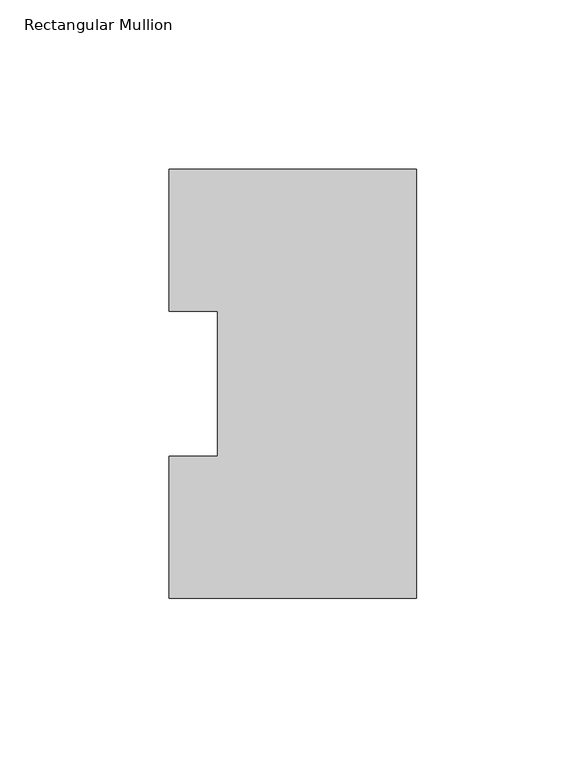
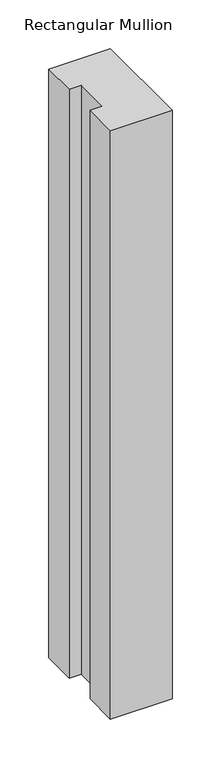
"""IFC4 building model written with IfcOpenShell, lengths in millimetres: member geometry, Rectangular Mullion."""

import ifcopenshell
import ifcopenshell.guid

model = None  # the IFC model being written
_history = None  # IfcOwnerHistory: only IFC2X3 demands one
_inside = {}  # id of a spatial element -> (the spatial element, [elements in it])
_under = {}  # id of a project, library or spatial element -> (it, [spatial elements below it])
_declared = {}  # id of a project -> (the project, [libraries it declares])
_typed = {}  # id of a type object -> (the type object, [elements of that type])
_made_of = {}  # id of a material, layer set ... -> (it, [elements and type objects made of it])


def new_model(schema):
    """Start an empty IFC model of exactly this schema.

    Asked for "IFC4X3", IfcOpenShell would pick the latest addendum, in which some entities
    have other attributes; the version numbers below select the first issue.
    IFC2X3 requires an IfcOwnerHistory on every rooted entity: one is made here for all.
    """
    global model, _history
    if schema == "IFC4X3":
        model = ifcopenshell.file(schema_version=(4, 3, 0, 0))
    else:
        model = ifcopenshell.file(schema=schema)
    _inside.clear()
    _under.clear()
    _declared.clear()
    _typed.clear()
    _made_of.clear()
    _history = None
    if model.schema == "IFC2X3":
        org = make("IfcOrganization", Name="unknown")
        user = make(
            "IfcPersonAndOrganization",
            ThePerson=make("IfcPerson", FamilyName="unknown"),
            TheOrganization=org,
        )
        app = make(
            "IfcApplication",
            ApplicationDeveloper=org,
            Version="unknown",
            ApplicationFullName="unknown",
            ApplicationIdentifier="unknown",
        )
        _history = make(
            "IfcOwnerHistory",
            OwningUser=user,
            OwningApplication=app,
            ChangeAction="ADDED",
            CreationDate=0,
        )
    return model


def make(cls, **values):
    """One entity of the class cls with the attributes given. An attribute that is None is left unset."""
    return model.create_entity(
        cls, **{name: value for name, value in values.items() if value is not None}
    )


def rooted(cls, **values):
    """An entity with a GlobalId (a new one), such as an element, a storey or a relation."""
    return make(cls, GlobalId=ifcopenshell.guid.new(), OwnerHistory=_history, **values)


def si_unit(unit_type, name, prefix=None):
    """IfcSIUnit, for example si_unit("LENGTHUNIT", "METRE", prefix="MILLI")."""
    return make("IfcSIUnit", UnitType=unit_type, Prefix=prefix, Name=name)


def assignment(units):
    """IfcUnitAssignment: the units of a project."""
    return None if units is None else make("IfcUnitAssignment", Units=units)


def point(xyz):
    """IfcCartesianPoint."""
    return None if xyz is None else make("IfcCartesianPoint", Coordinates=xyz)


def direction(xyz):
    """IfcDirection."""
    return None if xyz is None else make("IfcDirection", DirectionRatios=xyz)


def frame(location, z_axis=None, x_axis=None):
    """IfcAxis2Placement3D, a coordinate frame: its origin and axes. An axis left out is left unset."""
    return make(
        "IfcAxis2Placement3D",
        Location=point(location),
        Axis=direction(z_axis),
        RefDirection=direction(x_axis),
    )


def origin():
    """The frame at (0, 0, 0) with its axes left unset."""
    return frame((0.0, 0.0, 0.0))


def place(relative_to, where):
    """IfcLocalPlacement: puts the frame where relative to a parent placement (None: the world)."""
    return make(
        "IfcLocalPlacement", PlacementRelTo=relative_to, RelativePlacement=where
    )


def context(
    kind, dimensions, precision=None, world=None, true_north=None, identifier=None
):
    """IfcGeometricRepresentationContext, for example the 3D "Model" context."""
    return make(
        "IfcGeometricRepresentationContext",
        ContextIdentifier=identifier,
        ContextType=kind,
        CoordinateSpaceDimension=dimensions,
        Precision=precision,
        WorldCoordinateSystem=world,
        TrueNorth=true_north,
    )


def project(units=None, contexts=None):
    """IfcProject with its units and contexts."""
    return rooted(
        "IfcProject",
        Name="project",
        RepresentationContexts=contexts,
        UnitsInContext=assignment(units),
    )


def spatial(cls, under=None, at=None, **own):
    """A site, building, storey or space (cls), placed at a placement, below another one or the project."""
    s = rooted(cls, ObjectPlacement=at, **own)
    if under is not None:
        _under.setdefault(under.id(), (under, []))[1].append(s)
    return s


def polyline(points):
    """IfcPolyline through the points."""
    return make("IfcPolyline", Points=[point(p) for p in points])


def outline(outer, holes=None, kind="AREA"):
    """IfcArbitraryClosedProfileDef: a profile drawn as a closed curve; with holes, ...WithVoids."""
    if holes is None:
        return make("IfcArbitraryClosedProfileDef", ProfileType=kind, OuterCurve=outer)
    return make(
        "IfcArbitraryProfileDefWithVoids",
        ProfileType=kind,
        OuterCurve=outer,
        InnerCurves=holes,
    )


def extrude(swept, where, along, depth):
    """IfcExtrudedAreaSolid: the profile swept, set in the frame where, extruded along a direction by depth."""
    return make(
        "IfcExtrudedAreaSolid",
        SweptArea=swept,
        Position=where,
        ExtrudedDirection=direction(along),
        Depth=depth,
    )


def shape(context_of_items, identifier, shape_type, items):
    """IfcShapeRepresentation: the items that make up one representation, for example the "Body"."""
    return make(
        "IfcShapeRepresentation",
        ContextOfItems=context_of_items,
        RepresentationIdentifier=identifier,
        RepresentationType=shape_type,
        Items=items,
    )


def source(mapping_origin, context_of_items, identifier, shape_type, items):
    """IfcRepresentationMap: a shape defined once, which mapped items show again and again."""
    return make(
        "IfcRepresentationMap",
        MappingOrigin=mapping_origin,
        MappedRepresentation=shape(context_of_items, identifier, shape_type, items),
    )


def transform(
    local_origin,
    x_axis=None,
    y_axis=None,
    z_axis=None,
    scale=None,
    scale2=None,
    scale3=None,
    uniform=True,
):
    """IfcCartesianTransformationOperator3D, or its non-uniform kind. x_axis, y_axis, z_axis: its Axis1, 2, 3."""
    if uniform:
        return make(
            "IfcCartesianTransformationOperator3D",
            Axis1=direction(x_axis),
            Axis2=direction(y_axis),
            LocalOrigin=point(local_origin),
            Scale=scale,
            Axis3=direction(z_axis),
        )
    return make(
        "IfcCartesianTransformationOperator3DnonUniform",
        Axis1=direction(x_axis),
        Axis2=direction(y_axis),
        LocalOrigin=point(local_origin),
        Scale=scale,
        Axis3=direction(z_axis),
        Scale2=scale2,
        Scale3=scale3,
    )


def mapped(mapping_source, mapping_target):
    """IfcMappedItem: shows the shape of a source again, moved by a transform."""
    return make(
        "IfcMappedItem", MappingSource=mapping_source, MappingTarget=mapping_target
    )


def made_of(thing, what):
    """Note that an element or type object is made of a material, layer set ...; save() writes the relation."""
    if what is not None:
        _made_of.setdefault(what.id(), (what, []))[1].append(thing)
    return thing


def element(
    cls,
    number,
    at=None,
    inside=None,
    cuts=None,
    type_object=None,
    material=None,
    context=None,
    identifier="Body",
    shape_type=None,
    held_by="IfcProductDefinitionShape",
    body=None,
    shapes=None,
    **own,
):
    """One element of the class cls, such as IfcWall. Its Tag is "e" and its number.

    at: its placement. inside: the storey or other place that contains it. cuts: it is an
    opening in that element (IfcRelVoidsElement). A single representation is given by context,
    identifier, shape_type and body (its items); several are given by shapes. held_by: the class
    of the entity that holds the representations. save() writes the other relations.
    """
    e = rooted(cls, Tag="e%d" % number, ObjectPlacement=at, **own)
    if body is not None:
        shapes = [shape(context, identifier, shape_type, body)]
    if shapes is not None:
        e.Representation = make(held_by, Representations=shapes)
    if inside is not None:
        _inside.setdefault(inside.id(), (inside, []))[1].append(e)
    if cuts is not None:
        rooted(
            "IfcRelVoidsElement", RelatingBuildingElement=cuts, RelatedOpeningElement=e
        )
    if type_object is not None:
        _typed.setdefault(type_object.id(), (type_object, []))[1].append(e)
    return made_of(e, material)


def aggregate(whole, parts):
    """IfcRelAggregates: a whole, such as a stair, and the parts it consists of."""
    return rooted("IfcRelAggregates", RelatingObject=whole, RelatedObjects=parts)


def save(model, path):
    """Write the relations noted so far, then the file.

    IfcRelAggregates (storeys below a building ...), IfcRelContainedInSpatialStructure (elements
    in a storey), IfcRelDefinesByType, IfcRelAssociatesMaterial and IfcRelDeclares: one each for
    every whole, place, type object, material and project.
    """
    for whole, parts in _under.values():
        aggregate(whole, parts)
    for where, things in _inside.values():
        rooted(
            "IfcRelContainedInSpatialStructure",
            RelatedElements=things,
            RelatingStructure=where,
        )
    for kind, things in _typed.values():
        rooted("IfcRelDefinesByType", RelatedObjects=things, RelatingType=kind)
    for what, things in _made_of.values():
        rooted("IfcRelAssociatesMaterial", RelatedObjects=things, RelatingMaterial=what)
    for by, libraries in _declared.values():
        rooted("IfcRelDeclares", RelatingContext=by, RelatedDefinitions=libraries)
    model.write(path)


def rectangular_mullion_8cab1f7c(model_context):
    return source(origin(), model_context, "Body", "SweptSolid", [
        extrude(outline(polyline([(0.0, 126.4546937), (0.0, -0.0373063), (-73.025, -0.0373063), (-73.025, 41.7837937), (-58.7375, 41.7837937), (-58.7375, 84.6335938), (-73.025, 84.6335938), (-73.025, 126.4546937), (0.0, 126.4546937)])), frame((0.0, 0.0, -736.6934633), z_axis=(0.0, 0.0, 1.0), x_axis=(1.0, 0.0, 0.0)), (0.0, 0.0, 1.0), 736.6934633),
    ])


if __name__ == "__main__":
    model = new_model("IFC4")
    model_context = context("Model", 3, world=origin())
    ifc_project = project(units=[si_unit("LENGTHUNIT", "METRE", prefix="MILLI")], contexts=[model_context])
    site = spatial("IfcSite", under=ifc_project)
    building = spatial("IfcBuilding", under=site)
    placement = place(None, origin())
    rectangular_mullion_shape = rectangular_mullion_8cab1f7c(model_context)
    element("IfcMember", 1, ObjectType="Rectangular Mullion", at=placement, inside=building, context=model_context, shape_type="MappedRepresentation", body=[
        mapped(rectangular_mullion_shape, transform((0.0, 0.0, 0.0), x_axis=(1.0, 0.0, 0.0), y_axis=(0.0, 1.0, 0.0), z_axis=(0.0, 0.0, 1.0))),
    ])
    save(model, "model.ifc")
